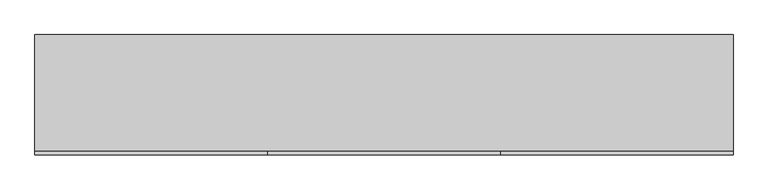
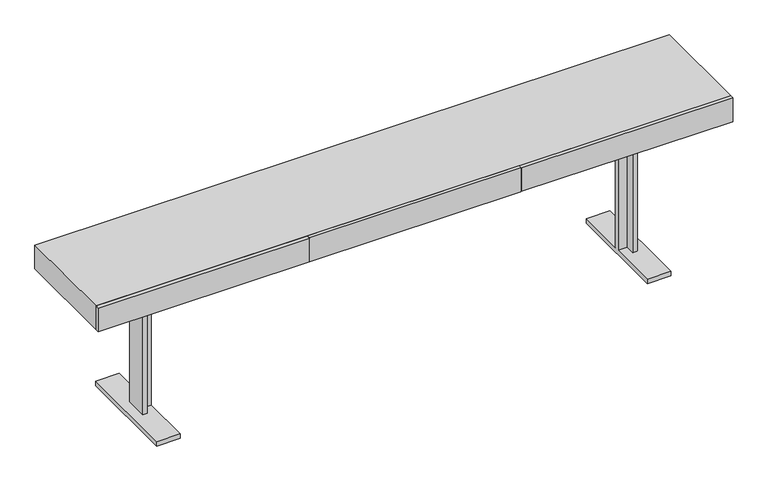
"""IFC4 building model written with IfcOpenShell, lengths in millimetres: furniture geometry."""

from ifc_helpers import new_model, si_unit, frame, origin, place, context, project, spatial, polyline, outline, extrude, faceted_brep, source, transform, mapped, element, save


def furniture_3ebbce71(model_context):
    return source(origin(), model_context, "Body", "SolidModel", [
        extrude(outline(polyline([(448.8027865, -225.425), (448.8027865, -240.42624), (-449.4576302, -240.42624), (-449.4576302, -225.425), (448.8027865, -225.425)])), frame((0.0, 0.0, 610.8898437), z_axis=(0.0, 0.0, 1.0), x_axis=(1.0, 0.0, 0.0)), (0.0, 0.0, 1.0), 106.6601562),
        faceted_brep([(-1051.4962619, -54.3141225, 610.8898437), (-1032.4462619, -54.3141225, 610.8898437), (-1032.4462619, -13.8140652, 610.8898437), (1031.7914181, -13.8140652, 610.8898437), (1031.7914181, -54.3141225, 610.8898437), (1050.8414181, -54.3141225, 610.8898437), (1050.8414181, 43.6910418, 610.8898437), (1031.7914181, 43.6910418, 610.8898437), (1031.7914181, 5.4884, 610.8898437), (-1032.4462619, 5.4884, 610.8898437), (-1032.4462619, 43.6910418, 610.8898437), (-1051.4962619, 43.6910418, 610.8898437), (-1051.4962619, -54.3141225, 19.8859728), (-1032.4462619, -54.3141225, 19.8859728), (-1032.4462619, -13.8140652, 19.8859728), (-993.9962106, -13.8140652, 560.0898437), (993.3413668, -13.8140652, 560.0898437), (993.3413668, -13.8140652, 19.8859728), (1031.7914181, -13.8140652, 19.8859728), (-993.9962106, -13.8140652, 19.8859728), (-993.9962106, 5.4884, 560.0898437), (-993.9962106, -228.6040836, 19.8859728), (-993.9962106, -228.6040836, 0.0), (-993.9962106, 219.9758393, 0.0), (-993.9962106, 219.9758393, 19.8859728), (-993.9962106, 5.4884, 19.8859728), (993.3413668, 5.4884, 560.0898437), (-1032.4462619, 5.4884, 19.8859728), (1031.7914181, 5.4884, 19.8859728), (993.3413668, 5.4884, 19.8859728), (-1032.4462619, 43.6910418, 19.8859728), (-1051.4962619, 43.6910418, 19.8859728), (1031.7914181, -54.3141225, 19.8859728), (1050.8414181, -54.3141225, 19.8859728), (993.3413668, 219.9758393, 19.8859728), (993.3413668, 219.9758393, 0.0), (993.3413668, -228.6040836, 0.0), (993.3413668, -228.6040836, 19.8859728), (1031.7914181, 43.6910418, 19.8859728), (1050.8414181, 43.6910418, 19.8859728), (-1092.9962724, 219.9758393, 19.8859728), (-1092.9962724, -228.6040836, 19.8859728), (-1092.9962724, -228.6040836, 0.0), (-1092.9962724, 219.9758393, 0.0), (1092.3414286, -228.6040836, 19.8859728), (1092.3414286, 219.9758393, 19.8859728), (1092.3414286, 219.9758393, 0.0), (1092.3414286, -228.6040836, 0.0)], [[[0, 1, 2, 3, 4, 5, 6, 7, 8, 9, 10, 11]], [[1, 0, 12, 13]], [[2, 1, 13, 14]], [[15, 16, 17, 18, 3, 2, 14, 19]], [[20, 15, 19, 21, 22, 23, 24, 25]], [[26, 20, 25, 27, 9, 8, 28, 29]], [[10, 9, 27, 30]], [[11, 10, 30, 31]], [[0, 11, 31, 12]], [[20, 26, 16, 15]], [[5, 4, 32, 33]], [[4, 3, 18, 32]], [[26, 29, 34, 35, 36, 37, 17, 16]], [[8, 7, 38, 28]], [[7, 6, 39, 38]], [[6, 5, 33, 39]], [[24, 40, 41, 21, 19, 14, 13, 12, 31, 30, 27, 25]], [[23, 22, 42, 43]], [[40, 24, 23, 43]], [[41, 40, 43, 42]], [[21, 41, 42, 22]], [[37, 44, 45, 34, 29, 28, 38, 39, 33, 32, 18, 17]], [[35, 46, 47, 36]], [[34, 45, 46, 35]], [[45, 44, 47, 46]], [[44, 37, 36, 47]]]),
        extrude(outline(polyline([(1349.375, -225.425), (1349.375, -240.42624), (451.1145833, -240.42624), (451.1145833, -225.425), (1349.375, -225.425)])), frame((0.0, 0.0, 610.8898437), z_axis=(0.0, 0.0, 1.0), x_axis=(1.0, 0.0, 0.0)), (0.0, 0.0, 1.0), 106.6601562),
        extrude(outline(polyline([(-451.1145833, -225.425), (-451.1145833, -240.42624), (-1349.375, -240.42624), (-1349.375, -225.425), (-451.1145833, -225.425)])), frame((0.0, 0.0, 610.8898437), z_axis=(0.0, 0.0, 1.0), x_axis=(1.0, 0.0, 0.0)), (0.0, 0.0, 1.0), 106.6601562),
        extrude(outline(polyline([(1349.375, 225.425), (1349.375, -225.425), (-1349.375, -225.425), (-1349.375, 225.425), (1349.375, 225.425)])), frame((0.0, 0.0, 610.8898437), z_axis=(0.0, 0.0, 1.0), x_axis=(1.0, 0.0, 0.0)), (0.0, 0.0, 1.0), 106.6601562),
    ])


if __name__ == "__main__":
    model = new_model("IFC4")
    model_context = context("Model", 3, world=origin())
    ifc_project = project(units=[si_unit("LENGTHUNIT", "METRE", prefix="MILLI")], contexts=[model_context])
    site = spatial("IfcSite", under=ifc_project)
    building = spatial("IfcBuilding", under=site)
    placement = place(None, origin())
    furniture_shape = furniture_3ebbce71(model_context)
    element("IfcFurniture", 1, at=placement, inside=building, context=model_context, shape_type="MappedRepresentation", body=[
        mapped(furniture_shape, transform((0.0, 0.0, 0.0), x_axis=(1.0, 0.0, 0.0), y_axis=(0.0, 1.0, 0.0), z_axis=(0.0, 0.0, 1.0))),
    ])
    save(model, "model.ifc")
